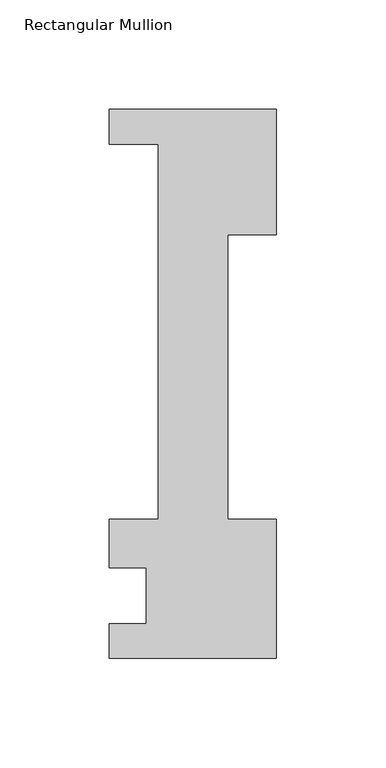
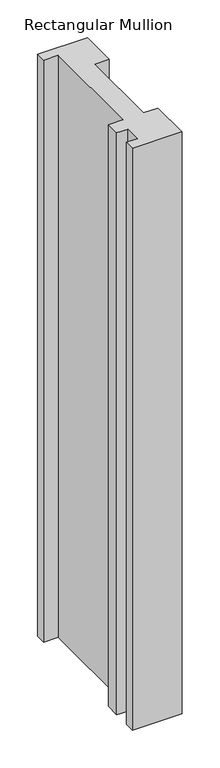
"""IFC4 building model written with IfcOpenShell, lengths in millimetres: member geometry, Rectangular Mullion."""

from ifc_helpers import new_model, si_unit, frame, origin, place, context, project, spatial, polyline, outline, extrude, source, transform, mapped, element, save


def rectangular_mullion_7788c912(model_context):
    return source(origin(), model_context, "Body", "SweptSolid", [
        extrude(outline(polyline([(-76.2, 221.996), (0.0, 221.996), (0.0, 164.75372), (-22.225, 164.75372), (-22.225, 34.671), (0.0, 34.671), (0.0, -28.8082618), (-76.2, -28.8082618), (-76.2, -12.954), (-59.2778052, -12.954), (-59.2778052, 12.446), (-76.2, 12.446), (-76.2, 34.671), (-53.975, 34.671), (-53.975, 206.121), (-76.2, 206.121), (-76.2, 221.996)])), frame((0.0, 0.0, -939.8), z_axis=(0.0, 0.0, 1.0), x_axis=(1.0, 0.0, 0.0)), (0.0, 0.0, 1.0), 939.8),
    ])


if __name__ == "__main__":
    model = new_model("IFC4")
    model_context = context("Model", 3, world=origin())
    ifc_project = project(units=[si_unit("LENGTHUNIT", "METRE", prefix="MILLI")], contexts=[model_context])
    site = spatial("IfcSite", under=ifc_project)
    building = spatial("IfcBuilding", under=site)
    placement = place(None, origin())
    rectangular_mullion_shape = rectangular_mullion_7788c912(model_context)
    element("IfcMember", 1, ObjectType="Rectangular Mullion", at=placement, inside=building, context=model_context, shape_type="MappedRepresentation", body=[
        mapped(rectangular_mullion_shape, transform((0.0, 0.0, 0.0), x_axis=(1.0, 0.0, 0.0), y_axis=(0.0, 1.0, 0.0), z_axis=(0.0, 0.0, 1.0))),
    ])
    save(model, "model.ifc")
